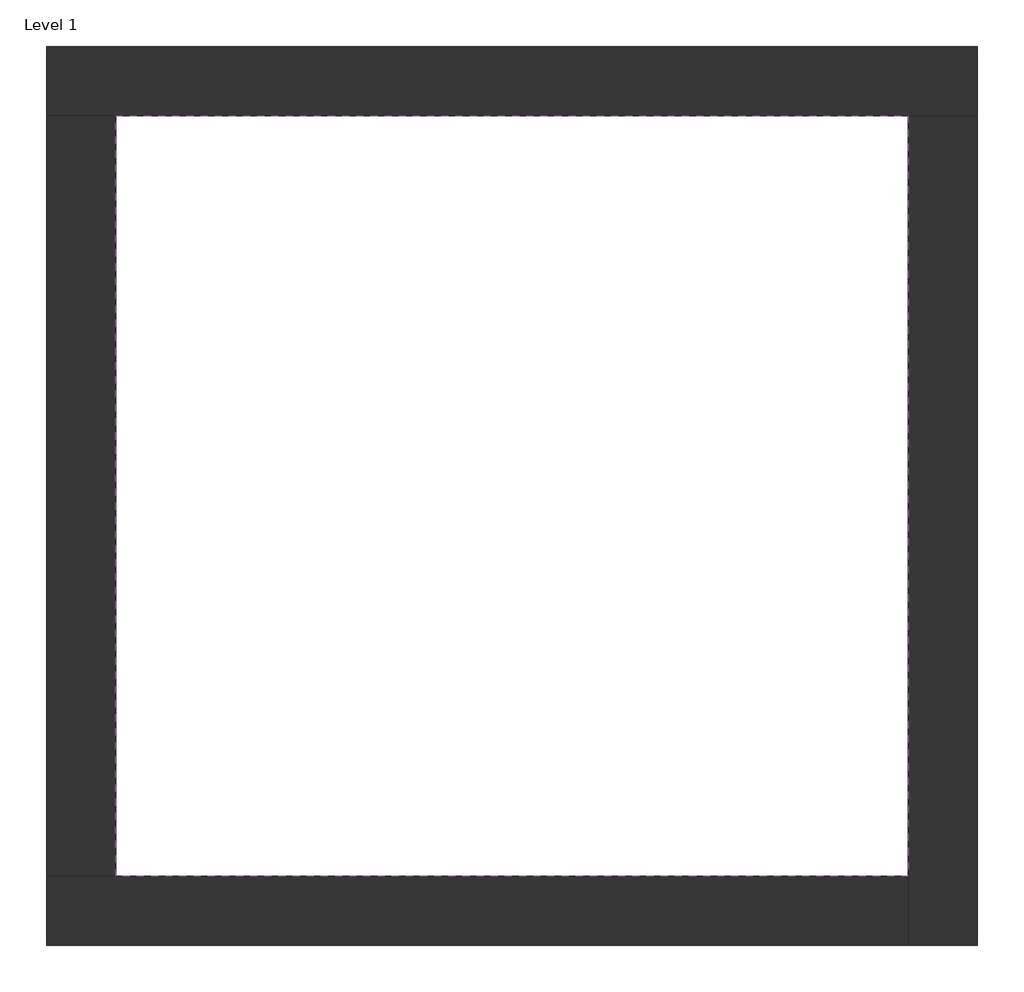
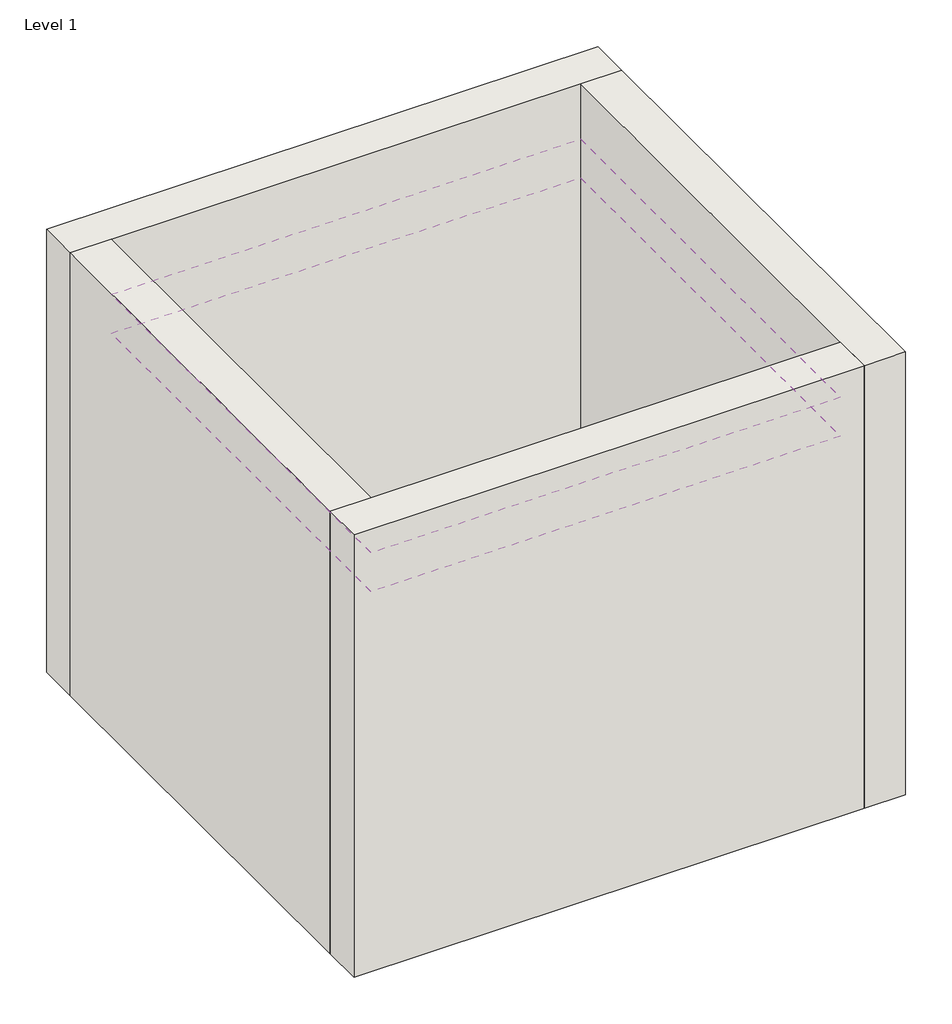
# One storey: 4 walls, 2 coverings.
"""IFC4 building model written with IfcOpenShell, lengths in millimetres."""

from ifc_helpers import new_model, si_unit, frame, origin, origin_with_axes, place, context, project, spatial, polyline, outline, extrude, faceted_brep, element, save

model = new_model("IFC4")

# Units and contexts
model_context = context("Model", 3, world=origin())
ifc_project = project(units=[si_unit("LENGTHUNIT", "METRE", prefix="MILLI")], contexts=[model_context])

# Site, building, storey
site = spatial("IfcSite", under=ifc_project)
building = spatial("IfcBuilding", under=site)
storey = spatial("IfcBuildingStorey", under=building, Name="Level 1", Elevation=0.0)

# Coverings
placement = place(None, origin())
element("IfcCovering", 1, at=placement, inside=storey, context=model_context, shape_type="SweptSolid", body=[
    extrude(outline(polyline([(-14894.8573003, 6921.2750283), (-10882.3573003, 6921.2750283), (-10882.3573003, 3071.2750283), (-14894.8573003, 3071.2750283), (-14894.8573003, 6921.2750283)])), frame((0.0, 0.0, 3500.0), z_axis=(0.0, 0.0, 1.0), x_axis=(1.0, 0.0, 0.0)), (0.0, 0.0, 1.0), 152.0),
])
element("IfcCovering", 2, at=placement, inside=storey, context=model_context, shape_type="SweptSolid", body=[
    extrude(outline(polyline([(-14894.8573003, 6921.2750283), (-10882.3573003, 6921.2750283), (-10882.3573003, 3071.2750283), (-14894.8573003, 3071.2750283), (-14894.8573003, 6921.2750283)])), frame((0.0, 0.0, 3150.0), z_axis=(0.0, 0.0, 1.0), x_axis=(1.0, 0.0, 0.0)), (0.0, 0.0, 1.0), 152.0),
])

# Walls
element("IfcWall", 3, ObjectType="Exterior - Brick on Mtl. Stud", at=placement, inside=storey, context=model_context, shape_type="Brep", body=[
    faceted_brep([(-15244.8573003, 6921.2750283, 0.0), (-14894.8573003, 6921.2750283, 0.0), (-10882.3573003, 6921.2750283, 0.0), (-10532.3573003, 6921.2750283, 0.0), (-10532.3573003, 6921.2750283, 4000.0), (-10882.3573003, 6921.2750283, 4000.0), (-14894.8573003, 6921.2750283, 4000.0), (-15244.8573003, 6921.2750283, 4000.0), (-15244.8573003, 7271.2750283, 0.0), (-15244.8573003, 7271.2750283, 4000.0), (-10532.3573003, 7271.2750283, 4000.0), (-10532.3573003, 7271.2750283, 0.0)], [[[0, 1, 2, 3, 4, 5, 6, 7]], [[8, 9, 10, 11]], [[3, 2, 1, 0, 8, 11]], [[7, 6, 5, 4, 10, 9]], [[0, 7, 9, 8]], [[4, 3, 11, 10]]]),
])
element("IfcWall", 4, ObjectType="Exterior - Brick on Mtl. Stud", at=placement, inside=storey, context=model_context, shape_type="Brep", body=[
    faceted_brep([(-10882.3573003, 6921.2750283, 0.0), (-10882.3573003, 3071.2750283, 0.0), (-10882.3573003, 2721.2750283, 0.0), (-10882.3573003, 2721.2750283, 4000.0), (-10882.3573003, 3071.2750283, 4000.0), (-10882.3573003, 6921.2750283, 4000.0), (-10532.3573003, 6921.2750283, 0.0), (-10532.3573003, 6921.2750283, 4000.0), (-10532.3573003, 2721.2750283, 4000.0), (-10532.3573003, 2721.2750283, 0.0)], [[[0, 1, 2, 3, 4, 5]], [[6, 7, 8, 9]], [[2, 1, 0, 6, 9]], [[5, 4, 3, 8, 7]], [[3, 2, 9, 8]], [[0, 5, 7, 6]]]),
])
element("IfcWall", 5, ObjectType="Exterior - Brick on Mtl. Stud", at=placement, inside=storey, context=model_context, shape_type="Brep", body=[
    faceted_brep([(-10882.3573003, 3071.2750283, 0.0), (-14894.8573003, 3071.2750283, 0.0), (-15244.8573003, 3071.2750283, 0.0), (-15244.8573003, 3071.2750283, 4000.0), (-14894.8573003, 3071.2750283, 4000.0), (-10882.3573003, 3071.2750283, 4000.0), (-10882.3573003, 2721.2750283, 0.0), (-10882.3573003, 2721.2750283, 4000.0), (-15244.8573003, 2721.2750283, 4000.0), (-15244.8573003, 2721.2750283, 0.0)], [[[0, 1, 2, 3, 4, 5]], [[6, 7, 8, 9]], [[2, 1, 0, 6, 9]], [[5, 4, 3, 8, 7]], [[3, 2, 9, 8]], [[0, 5, 7, 6]]]),
])
element("IfcWall", 6, ObjectType="Exterior - Brick on Mtl. Stud", at=placement, inside=storey, context=model_context, shape_type="SweptSolid", body=[
    extrude(outline(polyline([(-14894.8573003, 6921.2750283), (-14894.8573003, 3071.2750283), (-15244.8573003, 3071.2750283), (-15244.8573003, 6921.2750283), (-14894.8573003, 6921.2750283)])), origin_with_axes(), (0.0, 0.0, 1.0), 4000.0),
])

save(model, "model.ifc")
